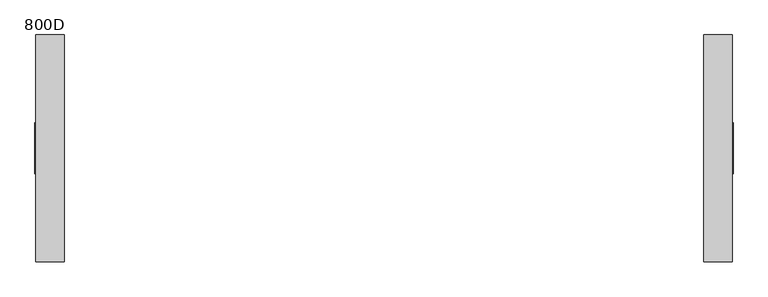
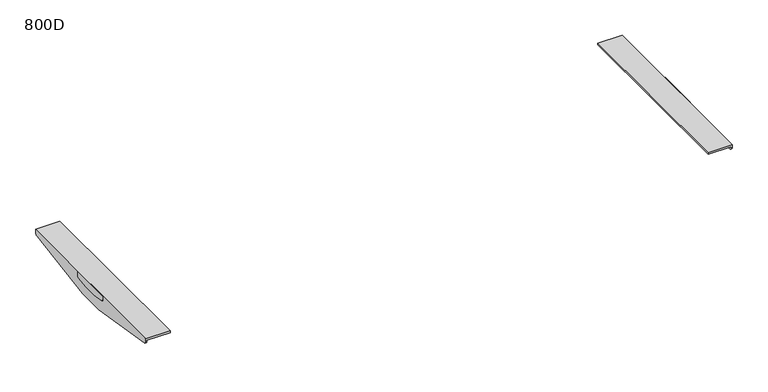
"""IFC4 building model written with IfcOpenShell, lengths in millimetres: furniture geometry, 800D."""

from ifc_helpers import new_model, si_unit, point, frame, frame_2d, origin, place, context, project, spatial, polyline, circle_curve, trimmed, segment, composite_curve, outline, extrude, source, transform, mapped, element, save
from ifc_brep_helpers import plane_surface, cylinder_surface, advanced_brep


def furniture_800d_9da1dd42(model_context):
    return source(origin(), model_context, "Body", "SolidModel", [
        advanced_brep(
        [(883.0000006, 287.4963324, 716.0), (883.0000006, 287.4963324, 708.4998128), (880.0000009, 287.4963324, 708.4998128), (880.0000009, 287.4963324, 710.4999723), (810.0000017, 287.4963324, 710.4999723), (810.0000017, 287.4963324, 716.0), (880.0000009, -287.5036993, 710.4999723), (880.0000009, -287.5036993, 708.4997591), (883.0000006, -287.5036993, 708.4997591), (883.0000006, -287.5036993, 716.0), (810.0000017, -287.5036993, 716.0), (810.0000017, -287.5036993, 710.4999723), (880.0000009, 279.1076002, 698.6304207), (880.0000009, 42.4967459, 660.0), (880.0000009, -42.5041219, 660.0), (880.0000009, -279.1150126, 698.6304207), (883.0000006, -279.1150126, 698.6304207), (883.0000006, -42.5041219, 660.0), (883.0000006, 42.4967459, 660.0), (883.0000006, 279.1076002, 698.6304207)],
        [
            (0, 1),
            (1, 2),
            (2, 3),
            (3, 4),
            (4, 5),
            (5, 0),
            (6, 7),
            (7, 8),
            (8, 9),
            (9, 10),
            (10, 11),
            (11, 6),
            (2, 12, circle_curve(frame((880.0000009, 277.4962677, 708.4998128), z_axis=(-1.0, 0.0, 0.0), x_axis=(0.0, -1.0, 0.0)), 10.0000647)),
            (12, 13),
            (13, 14),
            (14, 15),
            (15, 7, circle_curve(frame((880.0000009, -277.503689, 708.4997591), z_axis=(-1.0, 0.0, 0.0), x_axis=(0.0, -1.0, 0.0)), 10.0000103)),
            (6, 3),
            (11, 4),
            (10, 5),
            (9, 0),
            (8, 16, circle_curve(frame((883.0000006, -277.503689, 708.4997591), z_axis=(1.0, 0.0, 0.0), x_axis=(0.0, -1.0, 0.0)), 10.0000103)),
            (16, 17),
            (17, 18),
            (18, 19),
            (19, 1, circle_curve(frame((883.0000006, 277.4962677, 708.4998128), z_axis=(1.0, 0.0, 0.0), x_axis=(0.0, -1.0, 0.0)), 10.0000647)),
            (17, 14),
            (13, 18),
            (16, 15),
            (12, 19),
        ],
        [
            plane_surface(frame((883.0000006, 287.4963324, 660.0), z_axis=(0.0, 1.0, 0.0), x_axis=(1.0, 0.0, 0.0))),
            plane_surface(frame((883.0000006, -287.5036993, 660.0), z_axis=(0.0, -1.0, 0.0), x_axis=(-1.0, 0.0, 0.0))),
            plane_surface(frame((880.0000009, 287.4963324, 710.4999723), z_axis=(-1.0, 0.0, 0.0), x_axis=(0.0, -1.0, 0.0))),
            plane_surface(frame((810.0000017, 287.4963324, 710.4999723), z_axis=(0.0, 0.0, -1.0), x_axis=(0.0, -1.0, 0.0))),
            plane_surface(frame((810.0000017, 287.4963324, 716.0), z_axis=(-1.0, 0.0, 0.0), x_axis=(0.0, -1.0, 0.0))),
            plane_surface(frame((883.0000006, 287.4963324, 716.0), z_axis=(0.0, 0.0, 1.0), x_axis=(0.0, -1.0, 0.0))),
            plane_surface(frame((883.0000006, 287.4963324, 660.0), z_axis=(1.0, 0.0, 0.0), x_axis=(0.0, -1.0, 0.0))),
            plane_surface(frame((880.0000009, 287.4963324, 660.0), z_axis=(0.0, 0.0, -1.0), x_axis=(0.0, -1.0, 0.0))),
            plane_surface(frame((810.0000017, -42.5041219, 660.0), z_axis=(0.0, -0.16113218812194072, -0.9869328335560813), x_axis=(1.0, 0.0, 0.0))),
            cylinder_surface(frame((885.0, -277.503689, 708.4997591), z_axis=(1.0, 0.0, 0.0), x_axis=(0.0, -1.0, 0.0)), 10.0000103),
            plane_surface(frame((810.0000017, 279.1076002, 698.6304207), z_axis=(0.0, 0.16113221222328436, -0.9869328296211605), x_axis=(1.0, 0.0, 0.0))),
            cylinder_surface(frame((1200.0, 277.4962677, 708.4998128), z_axis=(1.0, 0.0, 0.0), x_axis=(0.0, -1.0, 0.0)), 10.0000647),
        ],
        [
            (0, [[1, 2, 3, 4, 5, 6]]),
            (1, [[7, 8, 9, 10, 11, 12]]),
            (2, [[-3, 13, 14, 15, 16, 17, -7, 18]]),
            (3, [[-18, -12, 19, -4]]),
            (4, [[-19, -11, 20, -5]]),
            (5, [[-20, -10, 21, -6]]),
            (6, [[-9, 22, 23, 24, 25, 26, -1, -21]]),
            (7, [[27, -15, 28, -24]]),
            (8, [[-16, -27, -23, 29]]),
            (9, [[-22, -8, -17, -29]]),
            (10, [[-25, -28, -14, 30]]),
            (11, [[-13, -2, -26, -30]]),
        ],
    ),
        extrude(outline(composite_curve([segment(polyline([(64.9962871, 716.0), (64.9962871, 705.7477915)]), True, "CONTINUOUS"), segment(trimmed(circle_curve(frame_2d((59.996269, 705.7477915)), 5.0000181), [point((64.9962871, 705.7477915))], [point((60.8043191, 700.8134996))], False, "CARTESIAN"), True, "CONTINUOUS"), segment(polyline([(60.8043191, 700.8134996), (21.9956935, 694.5405645), (-22.2562903, 694.5405645), (-60.8052275, 700.8531775)]), True, "CONTINUOUS"), segment(trimmed(circle_curve(frame_2d((-60.0513722, 705.7477915)), 4.9523271), [point((-60.8052275, 700.8531775))], [point((-65.0036994, 705.7477915))], False, "CARTESIAN"), True, "CONTINUOUS"), segment(polyline([(-65.0036994, 705.7477915), (-65.0036994, 716.0), (64.9962871, 716.0)]), True, "CONTINUOUS")], self_intersect=False)), frame((883.0000006, 0.0, 0.0), z_axis=(1.0, 0.0, 0.0), x_axis=(0.0, 1.0, 0.0)), (0.0, 0.0, 1.0), 1.9999994),
        advanced_brep(
        [(-880.0000009, 287.4963324, 710.4999723), (-880.0000009, 287.4963324, 708.4998128), (-883.0000006, 287.4963324, 708.4998128), (-883.0000006, 287.4963324, 716.0), (-810.0000017, 287.4963324, 716.0), (-810.0000017, 287.4963324, 710.4999723), (-883.0000006, -287.5036993, 716.0), (-883.0000006, -287.5036993, 708.4997591), (-880.0000009, -287.5036993, 708.4997591), (-880.0000009, -287.5036993, 710.4999723), (-810.0000017, -287.5036993, 710.4999723), (-810.0000017, -287.5036993, 716.0), (-880.0000009, -279.1150126, 698.6304207), (-880.0000009, -42.5041219, 660.0), (-880.0000009, 42.4967459, 660.0), (-880.0000009, 279.1076002, 698.6304207), (-883.0000006, 279.1076002, 698.6304207), (-883.0000006, 42.4967459, 660.0), (-883.0000006, -42.5041219, 660.0), (-883.0000006, -279.1150126, 698.6304207)],
        [
            (0, 1),
            (1, 2),
            (2, 3),
            (3, 4),
            (4, 5),
            (5, 0),
            (6, 7),
            (7, 8),
            (8, 9),
            (9, 10),
            (10, 11),
            (11, 6),
            (8, 12, circle_curve(frame((-880.0000009, -277.503689, 708.4997591), z_axis=(1.0, 0.0, 0.0), x_axis=(0.0, -1.0, 0.0)), 10.0000103)),
            (12, 13),
            (13, 14),
            (14, 15),
            (15, 1, circle_curve(frame((-880.0000009, 277.4962677, 708.4998128), z_axis=(1.0, 0.0, 0.0), x_axis=(0.0, -1.0, 0.0)), 10.0000647)),
            (0, 9),
            (5, 10),
            (4, 11),
            (3, 6),
            (2, 16, circle_curve(frame((-883.0000006, 277.4962677, 708.4998128), z_axis=(-1.0, 0.0, 0.0), x_axis=(0.0, -1.0, 0.0)), 10.0000647)),
            (16, 17),
            (17, 18),
            (18, 19),
            (19, 7, circle_curve(frame((-883.0000006, -277.503689, 708.4997591), z_axis=(-1.0, 0.0, 0.0), x_axis=(0.0, -1.0, 0.0)), 10.0000103)),
            (13, 18),
            (17, 14),
            (12, 19),
            (16, 15),
        ],
        [
            plane_surface(frame((-880.0000009, 287.4963324, 660.0), z_axis=(0.0, 1.0, 0.0), x_axis=(0.0, 0.0, 1.0))),
            plane_surface(frame((-880.0000009, -287.5036993, 660.0), z_axis=(0.0, -1.0, 0.0), x_axis=(0.0, 0.0, -1.0))),
            plane_surface(frame((-880.0000009, 287.4963324, 660.0), z_axis=(1.0, 0.0, 0.0), x_axis=(0.0, -1.0, 0.0))),
            plane_surface(frame((-880.0000009, 287.4963324, 710.4999723), z_axis=(0.0, 0.0, -1.0), x_axis=(0.0, -1.0, 0.0))),
            plane_surface(frame((-810.0000017, 287.4963324, 710.4999723), z_axis=(1.0, 0.0, 0.0), x_axis=(0.0, -1.0, 0.0))),
            plane_surface(frame((-810.0000017, 287.4963324, 716.0), z_axis=(0.0, 0.0, 1.0), x_axis=(0.0, -1.0, 0.0))),
            plane_surface(frame((-883.0000006, 287.4963324, 716.0), z_axis=(-1.0, 0.0, 0.0), x_axis=(0.0, -1.0, 0.0))),
            plane_surface(frame((-883.0000006, 287.4963324, 660.0), z_axis=(0.0, 0.0, -1.0), x_axis=(0.0, -1.0, 0.0))),
            plane_surface(frame((-810.0000017, -279.1150126, 698.6304207), z_axis=(0.0, -0.16113218812194124, -0.9869328335560812), x_axis=(-1.0, 0.0, 0.0))),
            cylinder_surface(frame((-883.0000006, -277.503689, 708.4997591), z_axis=(-1.0, 0.0, 0.0), x_axis=(0.0, -1.0, 0.0)), 10.0000103),
            plane_surface(frame((-810.0000017, 42.4967459, 660.0), z_axis=(0.0, 0.16113221222328436, -0.9869328296211605), x_axis=(-1.0, 0.0, 0.0))),
            cylinder_surface(frame((0.0, 277.4962677, 708.4998128), z_axis=(-1.0, 0.0, 0.0), x_axis=(0.0, -1.0, 0.0)), 10.0000647),
        ],
        [
            (0, [[1, 2, 3, 4, 5, 6]]),
            (1, [[7, 8, 9, 10, 11, 12]]),
            (2, [[-9, 13, 14, 15, 16, 17, -1, 18]]),
            (3, [[19, -10, -18, -6]]),
            (4, [[20, -11, -19, -5]]),
            (5, [[21, -12, -20, -4]]),
            (6, [[-3, 22, 23, 24, 25, 26, -7, -21]]),
            (7, [[27, -24, 28, -15]]),
            (8, [[-25, -27, -14, 29]]),
            (9, [[-13, -8, -26, -29]]),
            (10, [[-16, -28, -23, 30]]),
            (11, [[-22, -2, -17, -30]]),
        ],
    ),
        extrude(outline(composite_curve([segment(polyline([(64.9962871, 716.0), (64.9962871, 705.7477915)]), True, "CONTINUOUS"), segment(trimmed(circle_curve(frame_2d((59.996269, 705.7477915)), 5.0000181), [point((64.9962871, 705.7477915))], [point((60.8043191, 700.8134996))], False, "CARTESIAN"), True, "CONTINUOUS"), segment(polyline([(60.8043191, 700.8134996), (21.9956935, 694.5405645), (-22.2562903, 694.5405645), (-60.8052275, 700.8531775)]), True, "CONTINUOUS"), segment(trimmed(circle_curve(frame_2d((-60.0513722, 705.7477915)), 4.9523271), [point((-60.8052275, 700.8531775))], [point((-65.0036994, 705.7477915))], False, "CARTESIAN"), True, "CONTINUOUS"), segment(polyline([(-65.0036994, 705.7477915), (-65.0036994, 716.0), (64.9962871, 716.0)]), True, "CONTINUOUS")], self_intersect=False)), frame((-885.0, 0.0, 0.0), z_axis=(1.0, 0.0, 0.0), x_axis=(0.0, 1.0, 0.0)), (0.0, 0.0, 1.0), 1.9999994),
    ])


if __name__ == "__main__":
    model = new_model("IFC4")
    model_context = context("Model", 3, world=origin())
    ifc_project = project(units=[si_unit("LENGTHUNIT", "METRE", prefix="MILLI")], contexts=[model_context])
    site = spatial("IfcSite", under=ifc_project)
    building = spatial("IfcBuilding", under=site)
    placement = place(None, origin())
    furniture_800d_shape = furniture_800d_9da1dd42(model_context)
    element("IfcFurniture", 1, ObjectType="800D", at=placement, inside=building, context=model_context, shape_type="MappedRepresentation", body=[
        mapped(furniture_800d_shape, transform((0.0, 0.0, 0.0), x_axis=(1.0, 0.0, 0.0), y_axis=(0.0, 1.0, 0.0), z_axis=(0.0, 0.0, 1.0))),
    ])
    save(model, "model.ifc")
